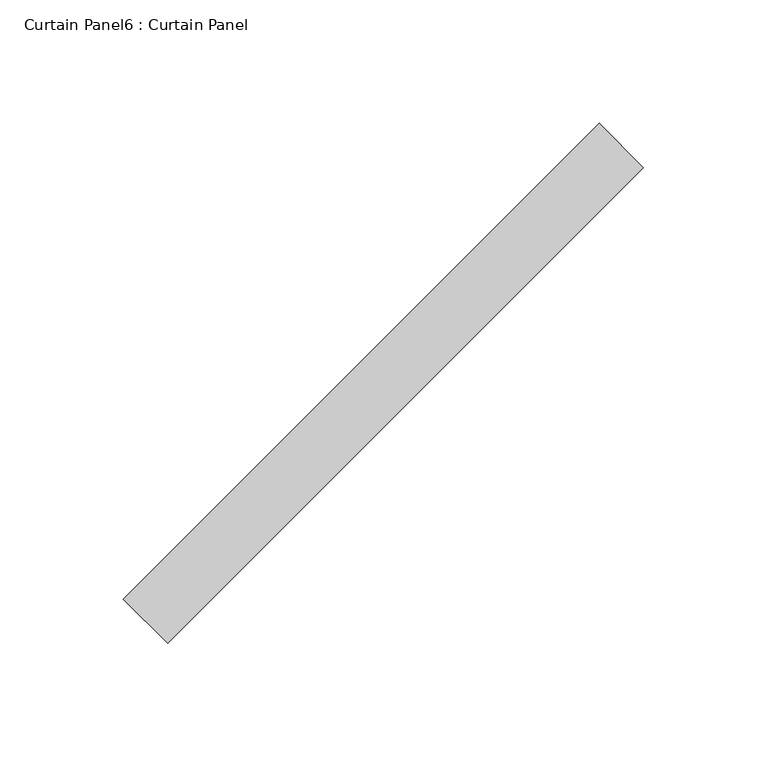
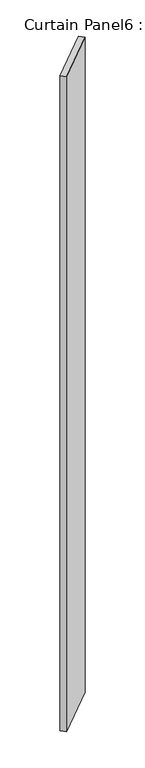
"""IFC4 building model written with IfcOpenShell, lengths in millimetres: plate geometry, Curtain Panel6 : Curtain Panel."""

from ifc_helpers import new_model, si_unit, frame, origin, place, context, project, spatial, polyline, outline, extrude, source, transform, mapped, element, save


def curtain_panel6_curtain_panel_dbf60654(model_context):
    return source(origin(), model_context, "Body", "SweptSolid", [
        extrude(outline(polyline([(-8745.5351019, 2349.7512937), (-8938.6106086, 2156.6757871), (-8956.5711208, 2174.6362994), (-8763.4956142, 2367.711806), (-8745.5351019, 2349.7512937)])), frame((0.0, 0.0, -655.9548836), z_axis=(0.0, 0.0, 1.0), x_axis=(1.0, 0.0, 0.0)), (0.0, 0.0, 1.0), 3048.0),
    ])


if __name__ == "__main__":
    model = new_model("IFC4")
    model_context = context("Model", 3, world=origin())
    ifc_project = project(units=[si_unit("LENGTHUNIT", "METRE", prefix="MILLI")], contexts=[model_context])
    site = spatial("IfcSite", under=ifc_project)
    building = spatial("IfcBuilding", under=site)
    placement = place(None, origin())
    curtain_panel6_curtain_panel_shape = curtain_panel6_curtain_panel_dbf60654(model_context)
    element("IfcPlate", 1, ObjectType="Curtain Panel6 : Curtain Panel", at=placement, inside=building, context=model_context, shape_type="MappedRepresentation", body=[
        mapped(curtain_panel6_curtain_panel_shape, transform((0.0, 0.0, 0.0), x_axis=(1.0, 0.0, 0.0), y_axis=(0.0, 1.0, 0.0), z_axis=(0.0, 0.0, 1.0))),
    ])
    save(model, "model.ifc")
